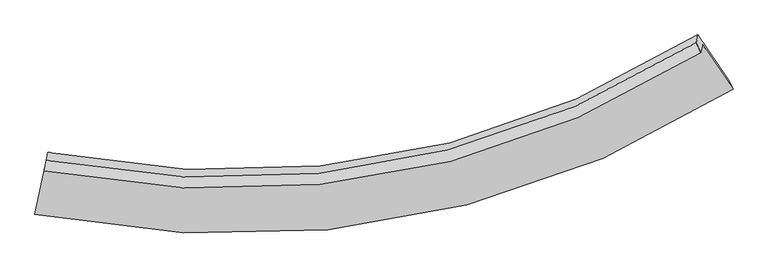
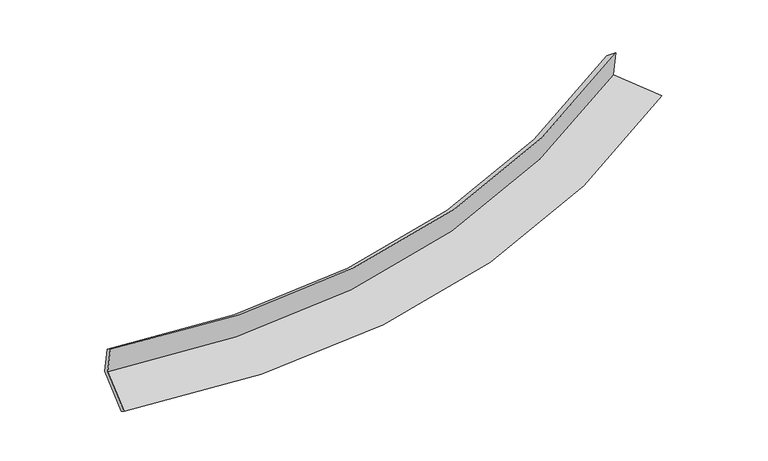
"""IFC4 building model written with IfcOpenShell, lengths in millimetres: proxy geometry."""

from ifc_helpers import new_model, si_unit, frame, origin, place, context, project, spatial, source, transform, mapped, element, save
from ifc_brep_helpers import plane_surface, spline_curve, spline_surface, advanced_brep


def generic_models_e53b3609(model_context):
    return source(origin(), model_context, "Body", "AdvancedBrep", [
        advanced_brep(
        [(-4374.3683585, -2098.9222949, 1967.4275262), (-4353.2934189, -1998.2469157, 1562.5490514), (3647.1382628, -557.3033711, 2338.1848413), (3626.5012951, -655.8865506, 2734.6492769), (-4347.9865035, -1973.3257586, 1881.5372735), (3569.8290525, -534.0821209, 2634.9323971), (-4327.3316514, -1874.6571454, 1484.7292559), (3589.9697604, -437.8695836, 2248.0017922), (-4460.6225232, -2508.605704, 1320.1561488), (3962.4009893, -983.4859573, 2131.717098), (-4486.0645494, -2629.7235176, 1398.6176646), (4019.2441655, -1102.4431379, 2222.0017241)],
        [
            (0, 1),
            (1, 2, spline_curve(3, [(-4353.2934189, -1998.2469157, 1562.5490514), (-2617.434193531, -2325.855726854, 1590.780583885), (-969.143962352, -2287.775660137, 1693.969132526), (1650.401539849, -1610.081849067, 1992.97218331), (2668.921868547, -1167.847401033, 2148.328898331), (3647.1382628, -557.3033711, 2338.1848413)], [4, 2, 4], [0.0, 16.27253103101223, 27.312139048087182])),
            (2, 3),
            (3, 0, spline_curve(3, [(3626.5012951, -655.8865506, 2734.6492769), (2648.366777204, -1266.039457157, 2543.220382246), (1629.871377984, -1708.154814638, 2387.384730594), (-989.753333062, -2386.227008082, 2089.903391114), (-2638.214484784, -2425.123565207, 1989.998459156), (-4374.3683585, -2098.9222949, 1967.4275262)], [4, 2, 4], [0.0, 11.03960801707495, 27.312139048087182])),
            (4, 0),
            (3, 5),
            (5, 4, spline_curve(3, [(3569.8290525, -534.0821209, 2634.9323971), (2601.691931938, -1135.756449444, 2447.072184456), (1593.676061551, -1572.613766666, 2294.115741019), (-998.82935283, -2245.645149412, 2002.0518339), (-2630.085335144, -2288.535711521, 1903.876569464), (-4347.9865035, -1973.3257586, 1881.5372735)], [4, 2, 4], [0.0, 10.981459172886037, 27.168278023717768])),
            (6, 4),
            (5, 7),
            (7, 6, spline_curve(3, [(3589.9697604, -437.8695836, 2248.0017922), (2624.28338612, -1045.722064895, 2052.960786136), (1617.755666979, -1486.126558882, 1895.188116908), (-973.449515833, -2161.424636201, 1597.058773391), (-2606.022267359, -2199.949329669, 1500.407264003), (-4327.3316514, -1874.6571454, 1484.7292559)], [4, 2, 4], [0.0, 10.927111130730964, 27.03382023481487])),
            (8, 6),
            (7, 9),
            (9, 8, spline_curve(3, [(3962.4009893, -983.4859573, 2131.717098), (2935.051860053, -1626.738114267, 1924.664056496), (1864.244130788, -2093.04421886, 1757.104865842), (-892.465789163, -2808.924888673, 1440.269489248), (-2629.332563676, -2850.992032799, 1337.308363208), (-4460.6225232, -2508.605704, 1320.1561488)], [4, 2, 4], [0.0, 11.278198814289315, 27.9024158965979])),
            (10, 8),
            (9, 11),
            (11, 10, spline_curve(3, [(4019.2441655, -1102.4431379, 2222.0017241), (2980.838044634, -1753.58481071, 2018.917915613), (1898.96135545, -2224.709144284, 1853.079706127), (-885.162929897, -2944.9117716, 1534.939853019), (-2638.389145761, -2982.880897857, 1426.316709862), (-4486.0645494, -2629.7235176, 1398.6176646)], [4, 2, 4], [0.0, 11.681797019944, 28.90092329788876])),
            (1, 10),
            (11, 2),
        ],
        [
            spline_surface(3, 3, [[(-4374.3683585, -2098.9222949, 1967.4275262), (-2638.214484862, -2425.123565101, 1989.998458935), (-989.753332852, -2386.22700793, 2089.903390926), (1629.871377842, -1708.154814741, 2387.384730721), (2648.366777039, -1266.039457145, 2543.220382331), (3626.5012951, -655.8865506, 2734.6492769)], [(-4367.343378638, -2065.363835187, 1832.468034604), (-2631.287721135, -2392.034285694, 1856.925833904), (-982.883542616, -2353.409891948, 1957.925304733), (1636.714765115, -1675.463826209, 2255.913881648), (2655.218474265, -1233.308771812, 2411.589887669), (3633.38028435, -623.025490759, 2602.494465049)], [(-4360.318398762, -2031.805375413, 1697.508542996), (-2624.360957393, -2358.945006227, 1723.853208862), (-976.013752351, -2320.592775982, 1825.947218497), (1643.558152415, -1642.772837693, 2124.443032534), (2662.070171441, -1200.578086502, 2279.959392963), (3640.25927355, -590.164430941, 2470.339653151)], [(-4353.2934189, -1998.2469157, 1562.5490514), (-2617.434193666, -2325.85572682, 1590.780583832), (-969.143962115, -2287.77566, 1693.969132304), (1650.401539688, -1610.08184916, 1992.972183461), (2668.921868666, -1167.847401169, 2148.328898302), (3647.1382628, -557.3033711, 2338.1848413)]], [4, 4], [4, 2, 4], [0.0, 1.339295103976434], [0.0, 16.27253103101223, 27.312139048087182]),
            spline_surface(3, 3, [[(-4347.9865035, -1973.3257586, 1881.5372735), (-2630.085334874, -2288.535711572, 1903.876569227), (-998.829353036, -2245.64514946, 2002.051833755), (1593.67606169, -1572.613766633, 2294.115741117), (2601.691931898, -1135.756449543, 2447.072184473), (3569.8290525, -534.0821209, 2634.9323971)], [(-4356.780455186, -2015.191270677, 1910.167357723), (-2632.795051556, -2334.064996059, 1932.583865786), (-995.80401298, -2292.505768956, 2031.335686153), (1605.741167069, -1617.794116008, 2325.205404326), (2617.250213612, -1179.184118736, 2479.12158374), (3588.719800033, -574.683597459, 2668.171357014)], [(-4365.574406814, -2057.056782823, 1938.797441977), (-2635.50476818, -2379.594280614, 1961.291162375), (-992.778672908, -2339.366388434, 2060.619538528), (1617.806272463, -1662.974465366, 2356.295067511), (2632.808495325, -1222.611787952, 2511.170983064), (3607.610547567, -615.285074041, 2701.410316986)], [(-4374.3683585, -2098.9222949, 1967.4275262), (-2638.214484862, -2425.123565101, 1989.998458935), (-989.753332852, -2386.22700793, 2089.903390926), (1629.871377842, -1708.154814741, 2387.384730721), (2648.366777039, -1266.039457145, 2543.220382331), (3626.5012951, -655.8865506, 2734.6492769)]], [4, 4], [4, 2, 4], [0.0, 0.5442076265950162], [0.0, 16.18681885083173, 27.168278023717768]),
            spline_surface(3, 3, [[(-4327.3316514, -1874.6571454, 1484.7292559), (-2606.022267282, -2199.949329451, 1500.407263884), (-973.449515798, -2161.424636224, 1597.058773298), (1617.755666955, -1486.126558867, 1895.188116971), (2624.283386048, -1045.722064834, 2052.960786271), (3589.9697604, -437.8695836, 2248.0017922)], [(-4334.216602087, -1907.546683137, 1616.99859513), (-2614.0432898, -2229.478123496, 1634.897032362), (-981.909461524, -2189.498140616, 1732.056460106), (1609.729131886, -1514.955628102, 2028.163991676), (2616.75290131, -1075.733526396, 2184.331252333), (3583.256191079, -469.940429359, 2376.978660495)], [(-4341.101552813, -1940.436220863, 1749.26793427), (-2622.064312356, -2259.006917528, 1769.386800749), (-990.369407309, -2217.571645068, 1867.054146946), (1601.702596759, -1543.784697397, 2161.139866412), (2609.222416636, -1105.744987981, 2315.701718411), (3576.542621821, -502.011275141, 2505.955528805)], [(-4347.9865035, -1973.3257586, 1881.5372735), (-2630.085334874, -2288.535711572, 1903.876569227), (-998.829353036, -2245.64514946, 2002.051833755), (1593.67606169, -1572.613766633, 2294.115741117), (2601.691931898, -1135.756449543, 2447.072184473), (3569.8290525, -534.0821209, 2634.9323971)]], [4, 4], [4, 2, 4], [0.0, 1.35308022279717], [0.0, 16.106709104083905, 27.03382023481487]),
            spline_surface(3, 3, [[(-4460.6225232, -2508.605704, 1320.1561488), (-2629.332563821, -2850.992032877, 1337.308363256), (-892.465789027, -2808.92488855, 1440.269489078), (1864.244130696, -2093.044218944, 1757.104865957), (2935.051860075, -1626.738114371, 1924.664056552), (3962.4009893, -983.4859573, 2131.717098)], [(-4416.192232599, -2297.28951781, 1375.013851139), (-2621.562464973, -2633.977798412, 1391.674663438), (-919.460364611, -2593.091471101, 1492.532583811), (1782.081309455, -1890.738332245, 1803.132616288), (2831.462368748, -1433.066097865, 1967.429633133), (3838.257246349, -801.61383274, 2170.478662741)], [(-4371.761942001, -2085.97333159, 1429.871553561), (-2613.792366129, -2416.963563916, 1446.040963703), (-946.454940213, -2377.258053673, 1544.795678565), (1699.918488196, -1688.432445566, 1849.16036664), (2727.872877375, -1239.39408134, 2010.195209691), (3714.113503351, -619.74170816, 2209.240227459)], [(-4327.3316514, -1874.6571454, 1484.7292559), (-2606.022267282, -2199.949329451, 1500.407263884), (-973.449515798, -2161.424636224, 1597.058773298), (1617.755666955, -1486.126558867, 1895.188116971), (2624.283386048, -1045.722064834, 2052.960786271), (3589.9697604, -437.8695836, 2248.0017922)]], [4, 4], [4, 2, 4], [0.0, 2.179188331034786], [0.0, 16.624217082308586, 27.9024158965979]),
            spline_surface(3, 3, [[(-4486.0645494, -2629.7235176, 1398.6176646), (-2638.389145482, -2982.880898031, 1426.316709619), (-885.162929809, -2944.911771557, 1534.939853108), (1898.96135539, -2224.709144313, 1853.079706066), (2980.838044655, -1753.584810872, 2018.917915757), (4019.2441655, -1102.4431379, 2222.0017241)], [(-4477.583873998, -2589.350913074, 1372.463826008), (-2635.370284927, -2938.917942987, 1396.647260839), (-887.597216241, -2899.582810556, 1503.383065089), (1887.388947133, -2180.820835858, 1821.088092688), (2965.575983113, -1711.302578705, 1987.499962694), (4000.296440084, -1062.790744367, 2191.906848739)], [(-4469.103198602, -2548.978308526, 1346.309987392), (-2632.351424376, -2894.954987921, 1366.977812036), (-890.031502595, -2854.253849551, 1471.826277097), (1875.816538953, -2136.932527399, 1789.096479336), (2950.313921618, -1669.020346537, 1956.082009615), (3981.348714716, -1023.138350833, 2161.811973361)], [(-4460.6225232, -2508.605704, 1320.1561488), (-2629.332563821, -2850.992032877, 1337.308363256), (-892.465789027, -2808.92488855, 1440.269489078), (1864.244130696, -2093.044218944, 1757.104865957), (2935.051860075, -1626.738114371, 1924.664056552), (3962.4009893, -983.4859573, 2131.717098)]], [4, 4], [4, 2, 4], [0.0, 0.5411668590534136], [0.0, 17.21912627794476, 28.90092329788876]),
            spline_surface(3, 3, [[(-4353.2934189, -1998.2469157, 1562.5490514), (-2617.434193666, -2325.85572682, 1590.780583832), (-969.143962115, -2287.77566, 1693.969132304), (1650.401539688, -1610.08184916, 1992.972183461), (2668.921868666, -1167.847401169, 2148.328898302), (3647.1382628, -557.3033711, 2338.1848413)], [(-4397.550462391, -2208.739116315, 1507.905255796), (-2624.419177596, -2544.864117205, 1535.959292423), (-941.150284665, -2506.821030544, 1640.959372576), (1733.254811603, -1814.957614236, 1946.341357667), (2772.893927334, -1363.093204419, 2105.191904116), (3771.173563705, -739.016626716, 2299.457135562)], [(-4441.807505909, -2419.231316985, 1453.261460204), (-2631.404161552, -2763.872507646, 1481.138001027), (-913.156607259, -2725.866401013, 1587.949612836), (1816.108083475, -2019.833379237, 1899.710531861), (2876.865985988, -1558.339007621, 2062.054909943), (3895.208864595, -920.729882284, 2260.729429838)], [(-4486.0645494, -2629.7235176, 1398.6176646), (-2638.389145482, -2982.880898031, 1426.316709619), (-885.162929809, -2944.911771557, 1534.939853108), (1898.96135539, -2224.709144313, 1853.079706066), (2980.838044655, -1753.584810872, 2018.917915757), (4019.2441655, -1102.4431379, 2222.0017241)]], [4, 4], [4, 2, 4], [0.0, 2.2095175643927414], [0.0, 16.78737876608101, 28.176269704958727]),
            plane_surface(frame((3735.8472543, -711.8451202, 2384.9145216), z_axis=(0.8301624033661802, 0.5293942023823426, 0.17484897060392246), x_axis=(-0.5552343519266113, 0.8134252183260183, 0.1733615546535781))),
            plane_surface(frame((-4391.6111675, -2180.5802227, 1602.5028201), z_axis=(-0.9786142339481865, 0.20570400322611934, 0.00021016839191258935), x_axis=(-0.050449960137978575, -0.24100039974081913, 0.9692128810776516))),
        ],
        [
            (0, [[1, 2, 3, 4]]),
            (1, [[5, -4, 6, 7]]),
            (2, [[8, -7, 9, 10]]),
            (3, [[11, -10, 12, 13]]),
            (4, [[14, -13, 15, 16]]),
            (5, [[17, -16, 18, -2]]),
            (6, [[-12, -9, -6, -3, -18, -15]]),
            (7, [[-1, -5, -8, -11, -14, -17]]),
        ],
    ),
    ])


if __name__ == "__main__":
    model = new_model("IFC4")
    model_context = context("Model", 3, world=origin())
    ifc_project = project(units=[si_unit("LENGTHUNIT", "METRE", prefix="MILLI")], contexts=[model_context])
    site = spatial("IfcSite", under=ifc_project)
    building = spatial("IfcBuilding", under=site)
    placement = place(None, origin())
    generic_models_shape = generic_models_e53b3609(model_context)
    element("IfcBuildingElementProxy", 1, Name="Generic Models", at=placement, inside=building, context=model_context, shape_type="MappedRepresentation", body=[
        mapped(generic_models_shape, transform((0.0, 0.0, 0.0), x_axis=(1.0, 0.0, 0.0), y_axis=(0.0, 1.0, 0.0), z_axis=(0.0, 0.0, 1.0))),
    ])
    save(model, "model.ifc")
